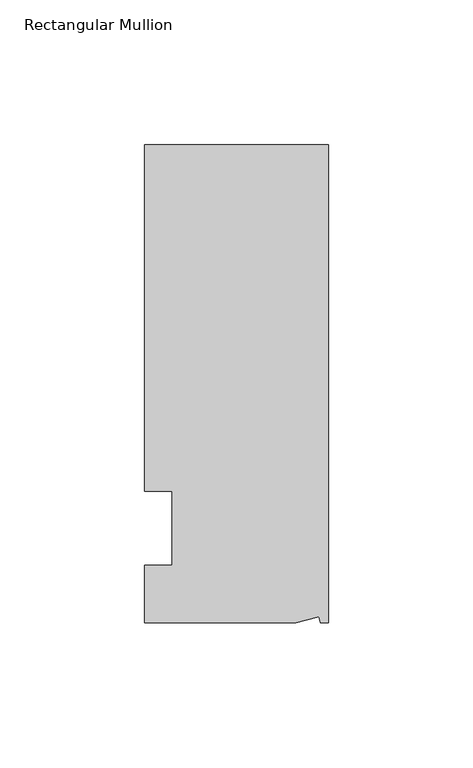
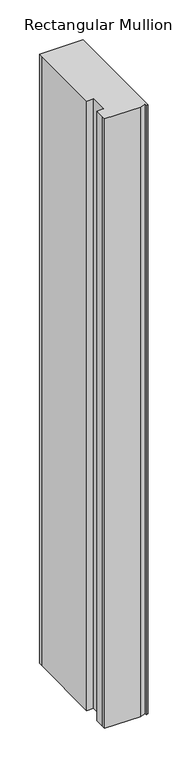
"""IFC4 building model written with IfcOpenShell, lengths in millimetres: member geometry, Rectangular Mullion."""

from ifc_helpers import new_model, si_unit, origin, place, context, project, spatial, faceted_brep, source, transform, mapped, element, save


def rectangular_mullion_80db325d(model_context):
    return source(origin(), model_context, "Body", "Brep", [
        faceted_brep([(0.0, 132.5561012, 0.0), (-63.5, 132.5561012, 0.0), (-63.5, 126.2061012, 0.0), (-63.5, 12.8488281, 0.0), (-53.975, 12.8488281, 0.0), (-53.975, -12.7, 0.0), (-63.5, -12.7, 0.0), (-63.5, -26.1938988, 0.0), (-63.5076469, -32.5438988, 0.0), (-11.1125, -32.5438988, 0.0), (-3.3223696, -30.4565397, 0.0), (-2.7630634, -32.5438988, 0.0), (0.0, -32.5438988, 0.0), (0.0, 132.5561012, -939.8), (0.0, -32.5438988, -939.8), (-2.7630634, -32.5438988, -939.8), (-3.3223696, -30.4565397, -939.8), (-11.1125, -32.5438988, -939.8), (-63.5076469, -32.5438988, -939.8), (-63.5076469, -26.1938988, -939.8), (-63.5, -12.7, -939.8), (-53.975, -12.7, -939.8), (-53.975, 12.8488281, -939.8), (-63.5, 12.8488281, -939.8), (-63.5, 126.2061012, -939.8), (-63.5, 132.5561012, -939.8)], [[[0, 1, 2, 3, 4, 5, 6, 7, 8, 9, 10, 11, 12]], [[13, 14, 15, 16, 17, 18, 19, 20, 21, 22, 23, 24, 25]], [[0, 12, 14, 13]], [[1, 0, 13, 25]], [[3, 2, 24, 23]], [[4, 3, 23, 22]], [[5, 4, 22, 21]], [[6, 5, 21, 20]], [[7, 6, 20, 19]], [[9, 8, 18, 17]], [[10, 9, 17, 16]], [[11, 10, 16, 15]], [[12, 11, 15, 14]], [[2, 1, 25, 24]], [[8, 7, 19, 18]]]),
    ])


if __name__ == "__main__":
    model = new_model("IFC4")
    model_context = context("Model", 3, world=origin())
    ifc_project = project(units=[si_unit("LENGTHUNIT", "METRE", prefix="MILLI")], contexts=[model_context])
    site = spatial("IfcSite", under=ifc_project)
    building = spatial("IfcBuilding", under=site)
    placement = place(None, origin())
    rectangular_mullion_shape = rectangular_mullion_80db325d(model_context)
    element("IfcMember", 1, ObjectType="Rectangular Mullion", at=placement, inside=building, context=model_context, shape_type="MappedRepresentation", body=[
        mapped(rectangular_mullion_shape, transform((0.0, 0.0, 0.0), x_axis=(1.0, 0.0, 0.0), y_axis=(0.0, 1.0, 0.0), z_axis=(0.0, 0.0, 1.0))),
    ])
    save(model, "model.ifc")
